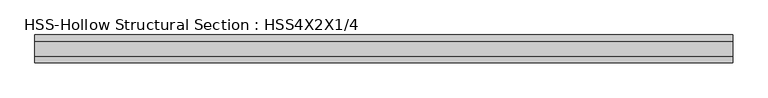
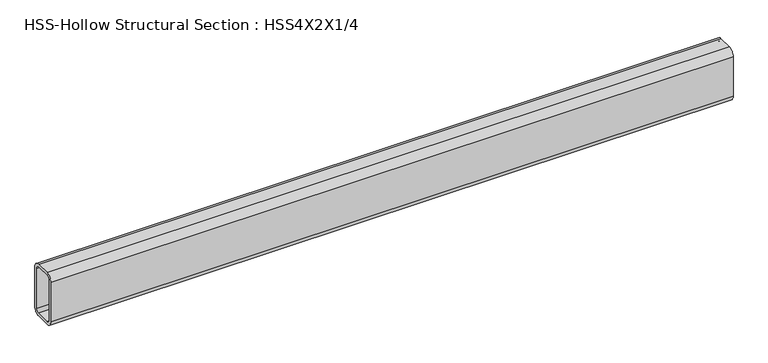
"""IFC4 building model written with IfcOpenShell, lengths in millimetres: beam geometry, HSS-Hollow Structural Section : HSS4X2X1/4."""

from ifc_helpers import new_model, si_unit, point, frame, frame_2d, origin, place, context, project, spatial, polyline, circle_curve, trimmed, segment, composite_curve, outline, extrude, source, transform, mapped, element, save


def hss_hollow_structural_section_hss4x2x1_4_9cb513aa(model_context):
    return source(origin(), model_context, "Body", "SweptSolid", [
        extrude(outline(composite_curve([segment(polyline([(25.4, 38.9636), (25.4, -38.9636)]), True, "CONTINUOUS"), segment(trimmed(circle_curve(frame_2d((13.5636, -38.9636)), 11.8364), [point((25.4, -38.9636))], [point((13.5636, -50.8))], False, "CARTESIAN"), True, "CONTINUOUS"), segment(polyline([(13.5636, -50.8), (-13.5636, -50.8)]), True, "CONTINUOUS"), segment(trimmed(circle_curve(frame_2d((-13.5636, -38.9636)), 11.8364), [point((-13.5636, -50.8))], [point((-25.4, -38.9636))], False, "CARTESIAN"), True, "CONTINUOUS"), segment(polyline([(-25.4, -38.9636), (-25.4, 38.9636)]), True, "CONTINUOUS"), segment(trimmed(circle_curve(frame_2d((-13.5636, 38.9636)), 11.8364), [point((-25.4, 38.9636))], [point((-13.5636, 50.8))], False, "CARTESIAN"), True, "CONTINUOUS"), segment(polyline([(-13.5636, 50.8), (13.5636, 50.8)]), True, "CONTINUOUS"), segment(trimmed(circle_curve(frame_2d((13.5636, 38.9636)), 11.8364), [point((13.5636, 50.8))], [point((25.4, 38.9636))], False, "CARTESIAN"), True, "CONTINUOUS")], self_intersect=False), holes=[composite_curve([segment(trimmed(circle_curve(frame_2d((-13.5636, 38.9636)), 5.9182), [point((-13.5636, 44.8818))], [point((-19.4818, 38.9636))], True, "CARTESIAN"), True, "CONTINUOUS"), segment(polyline([(-19.4818, 38.9636), (-19.4818, -38.9636)]), True, "CONTINUOUS"), segment(trimmed(circle_curve(frame_2d((-13.5636, -38.9636)), 5.9182), [point((-19.4818, -38.9636))], [point((-13.5636, -44.8818))], True, "CARTESIAN"), True, "CONTINUOUS"), segment(polyline([(-13.5636, -44.8818), (13.5636, -44.8818)]), True, "CONTINUOUS"), segment(trimmed(circle_curve(frame_2d((13.5636, -38.9636)), 5.9182), [point((13.5636, -44.8818))], [point((19.4818, -38.9636))], True, "CARTESIAN"), True, "CONTINUOUS"), segment(polyline([(19.4818, -38.9636), (19.4818, 38.9636)]), True, "CONTINUOUS"), segment(trimmed(circle_curve(frame_2d((13.5636, 38.9636)), 5.9182), [point((19.4818, 38.9636))], [point((13.5636, 44.8818))], True, "CARTESIAN"), True, "CONTINUOUS"), segment(polyline([(13.5636, 44.8818), (-13.5636, 44.8818)]), True, "CONTINUOUS")], self_intersect=False)]), frame((-632.626774, 0.0, 0.0), z_axis=(1.0, 0.0, 0.0), x_axis=(0.0, 1.0, 0.0)), (0.0, 0.0, 1.0), 1264.821892),
    ])


if __name__ == "__main__":
    model = new_model("IFC4")
    model_context = context("Model", 3, world=origin())
    ifc_project = project(units=[si_unit("LENGTHUNIT", "METRE", prefix="MILLI")], contexts=[model_context])
    site = spatial("IfcSite", under=ifc_project)
    building = spatial("IfcBuilding", under=site)
    placement = place(None, origin())
    hss_hollow_structural_section_hss4x2x1_4_shape = hss_hollow_structural_section_hss4x2x1_4_9cb513aa(model_context)
    element("IfcBeam", 1, ObjectType="HSS-Hollow Structural Section : HSS4X2X1/4", at=placement, inside=building, context=model_context, shape_type="MappedRepresentation", body=[
        mapped(hss_hollow_structural_section_hss4x2x1_4_shape, transform((0.0, 0.0, 0.0), x_axis=(1.0, 0.0, 0.0), y_axis=(0.0, 1.0, 0.0), z_axis=(0.0, 0.0, 1.0))),
    ])
    save(model, "model.ifc")
